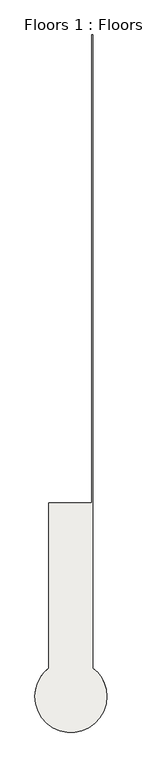
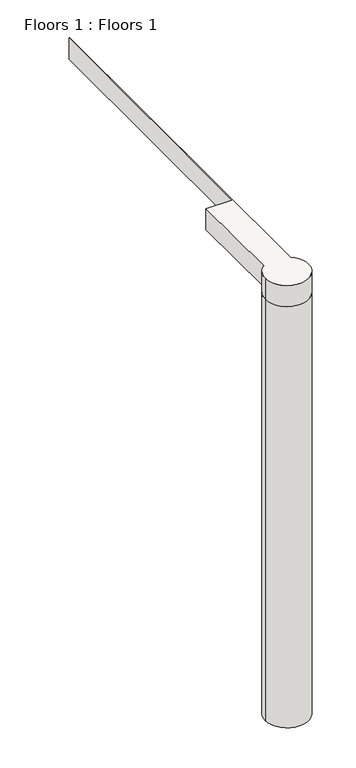
"""IFC4 building model written with IfcOpenShell, lengths in millimetres: slab geometry, Floors 1 : Floors 1."""

from ifc_helpers import new_model, si_unit, point, frame, frame_2d, origin, origin_with_axes, place, context, project, spatial, polyline, circle_curve, trimmed, segment, composite_curve, outline, extrude, source, transform, mapped, element, save


def floors_1_floors_1_5f0c43f1(model_context):
    return source(origin(), model_context, "Body", "SweptSolid", [
        extrude(outline(composite_curve([segment(trimmed(circle_curve(frame_2d((8344.3297172, 38221.9465374)), 130.0), [point((8214.3297172, 38221.9465374))], [point((8474.3297172, 38221.9465374))], False, "CARTESIAN"), True, "CONTINUOUS"), segment(trimmed(circle_curve(frame_2d((8344.3297172, 38221.9465374)), 130.0), [point((8474.3297172, 38221.9465374))], [point((8214.3297172, 38221.9465374))], False, "CARTESIAN"), True, "CONTINUOUS")], self_intersect=False)), origin_with_axes(), (0.0, 0.0, 1.0), 2666.6666667),
        extrude(outline(composite_curve([segment(polyline([(8419.3297172, 40614.6963999), (8423.8042378, 40614.6963999), (8423.8042378, 38324.8241374)]), True, "CONTINUOUS"), segment(trimmed(circle_curve(frame_2d((8344.3297172, 38221.9465374)), 130.0), [point((8423.8042378, 38324.8241374))], [point((8474.3297172, 38221.9465374))], False, "CARTESIAN"), True, "CONTINUOUS"), segment(trimmed(circle_curve(frame_2d((8344.3297172, 38221.9465374)), 130.0), [point((8474.3297172, 38221.9465374))], [point((8214.3297172, 38221.9465374))], False, "CARTESIAN"), True, "CONTINUOUS"), segment(trimmed(circle_curve(frame_2d((8344.3297172, 38221.9465374)), 130.0), [point((8214.3297172, 38221.9465374))], [point((8264.3297172, 38324.4160451))], False, "CARTESIAN"), True, "CONTINUOUS"), segment(polyline([(8264.3297172, 38324.4160451), (8264.3297172, 38921.9465374), (8419.3297172, 38921.9465374), (8419.3297172, 40614.6963999)]), True, "CONTINUOUS")], self_intersect=False)), frame((0.0, 0.0, 2666.6666667), z_axis=(0.0, 0.0, 1.0), x_axis=(1.0, 0.0, 0.0)), (0.0, 0.0, 1.0), 133.3333333),
    ])


if __name__ == "__main__":
    model = new_model("IFC4")
    model_context = context("Model", 3, world=origin())
    ifc_project = project(units=[si_unit("LENGTHUNIT", "METRE", prefix="MILLI")], contexts=[model_context])
    site = spatial("IfcSite", under=ifc_project)
    building = spatial("IfcBuilding", under=site)
    placement = place(None, origin())
    floors_1_floors_1_shape = floors_1_floors_1_5f0c43f1(model_context)
    element("IfcSlab", 1, ObjectType="Floors 1 : Floors 1", at=placement, inside=building, context=model_context, shape_type="MappedRepresentation", body=[
        mapped(floors_1_floors_1_shape, transform((0.0, 0.0, 0.0), x_axis=(1.0, 0.0, 0.0), y_axis=(0.0, 1.0, 0.0), z_axis=(0.0, 0.0, 1.0))),
    ])
    save(model, "model.ifc")
